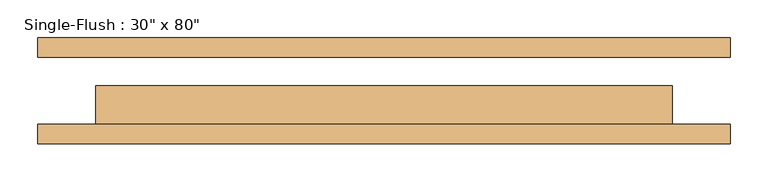
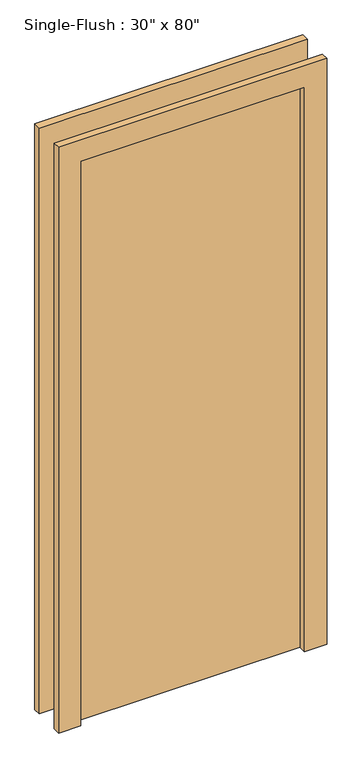
"""IFC4 building model written with IfcOpenShell, lengths in millimetres: door geometry."""

from ifc_helpers import new_model, si_unit, frame, origin, origin_with_axes, place, context, project, spatial, polyline, outline, extrude, source, transform, mapped, element, save


def door_e0db3f57(model_context):
    return source(origin(), model_context, "Body", "SweptSolid", [
        extrude(outline(polyline([(2108.2, -457.2), (0.0, -457.2), (0.0, -381.0), (2032.0, -381.0), (2032.0, 381.0), (0.0, 381.0), (0.0, 457.2), (2108.2, 457.2), (2108.2, -457.2)])), frame((0.0, -69.85, 0.0), z_axis=(0.0, 1.0, 0.0), x_axis=(0.0, 0.0, 1.0)), (0.0, 0.0, 1.0), 25.4),
        extrude(outline(polyline([(2108.2, 457.2), (2108.2, -457.2), (0.0, -457.2), (0.0, -381.0), (2032.0, -381.0), (2032.0, 381.0), (0.0, 381.0), (0.0, 457.2), (2108.2, 457.2)])), frame((0.0, 44.45, 0.0), z_axis=(0.0, 1.0, 0.0), x_axis=(0.0, 0.0, 1.0)), (0.0, 0.0, 1.0), 25.4),
        extrude(outline(polyline([(381.0, 6.35), (381.0, -44.45), (-381.0, -44.45), (-381.0, 6.35), (381.0, 6.35)])), origin_with_axes(), (0.0, 0.0, 1.0), 2032.0),
    ])


if __name__ == "__main__":
    model = new_model("IFC4")
    model_context = context("Model", 3, world=origin())
    ifc_project = project(units=[si_unit("LENGTHUNIT", "METRE", prefix="MILLI")], contexts=[model_context])
    site = spatial("IfcSite", under=ifc_project)
    building = spatial("IfcBuilding", under=site)
    placement = place(None, origin())
    door_shape = door_e0db3f57(model_context)
    element("IfcDoor", 1, ObjectType="Single-Flush : 30\" x 80\"", at=placement, inside=building, context=model_context, shape_type="MappedRepresentation", body=[
        mapped(door_shape, transform((0.0, 0.0, 0.0), x_axis=(1.0, 0.0, 0.0), y_axis=(0.0, 1.0, 0.0), z_axis=(0.0, 0.0, 1.0))),
    ])
    save(model, "model.ifc")
